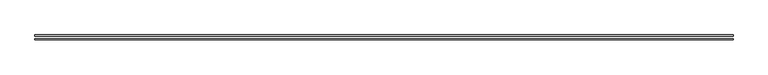
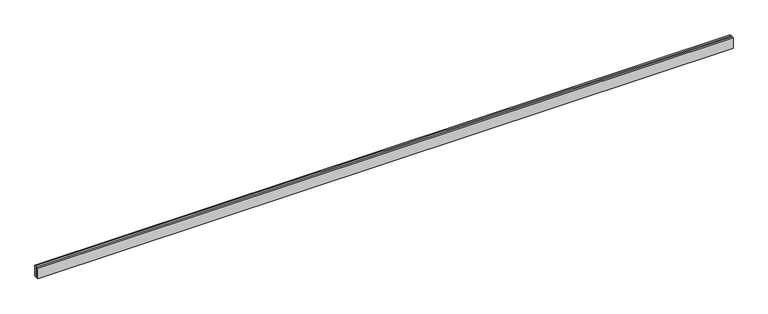
"""IFC4 building model written with IfcOpenShell, lengths in millimetres: proxy geometry."""

from ifc_helpers import new_model, si_unit, origin, origin_with_axes, place, context, project, spatial, polyline, outline, extrude, source, transform, mapped, element, save


def generic_models_2c7d12bd(model_context):
    return source(origin(), model_context, "Body", "SweptSolid", [
        extrude(outline(polyline([(15424.2640687, 25.0), (0.0, 25.0), (0.0, 55.0), (15424.2640687, 55.0), (15424.2640687, 25.0)])), origin_with_axes(), (0.0, 0.0, 1.0), 250.0),
        extrude(outline(polyline([(15424.2640687, -55.0), (0.0, -55.0), (0.0, -25.0), (15424.2640687, -25.0), (15424.2640687, -55.0)])), origin_with_axes(), (0.0, 0.0, 1.0), 250.0),
    ])


if __name__ == "__main__":
    model = new_model("IFC4")
    model_context = context("Model", 3, world=origin())
    ifc_project = project(units=[si_unit("LENGTHUNIT", "METRE", prefix="MILLI")], contexts=[model_context])
    site = spatial("IfcSite", under=ifc_project)
    building = spatial("IfcBuilding", under=site)
    placement = place(None, origin())
    generic_models_shape = generic_models_2c7d12bd(model_context)
    element("IfcBuildingElementProxy", 1, Name="Generic Models", at=placement, inside=building, context=model_context, shape_type="MappedRepresentation", body=[
        mapped(generic_models_shape, transform((0.0, 0.0, 0.0), x_axis=(1.0, 0.0, 0.0), y_axis=(0.0, 1.0, 0.0), z_axis=(0.0, 0.0, 1.0))),
    ])
    save(model, "model.ifc")
